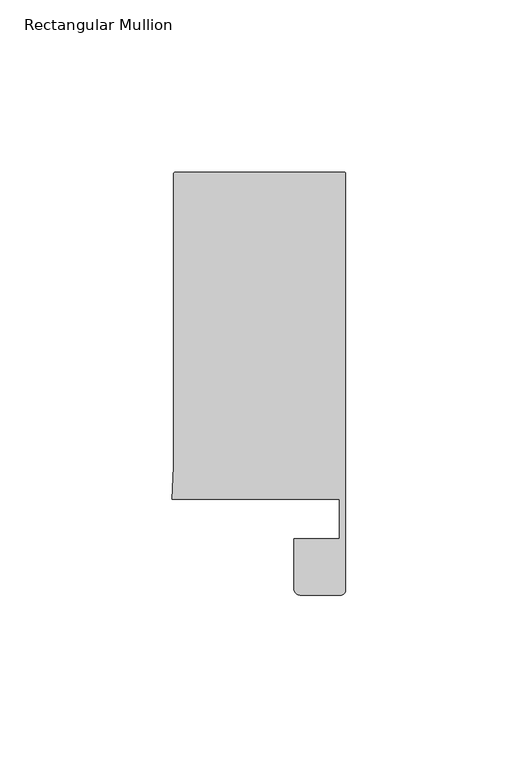
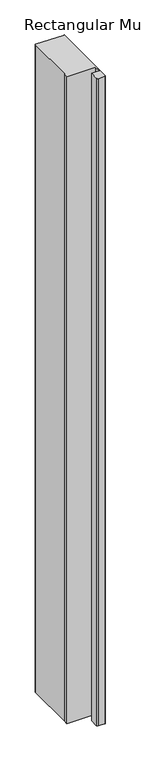
"""IFC4 building model written with IfcOpenShell, lengths in millimetres: member geometry, Rectangular Mullion."""

import ifcopenshell
import ifcopenshell.guid

model = None  # the IFC model being written
_history = None  # IfcOwnerHistory: only IFC2X3 demands one
_inside = {}  # id of a spatial element -> (the spatial element, [elements in it])
_under = {}  # id of a project, library or spatial element -> (it, [spatial elements below it])
_declared = {}  # id of a project -> (the project, [libraries it declares])
_typed = {}  # id of a type object -> (the type object, [elements of that type])
_made_of = {}  # id of a material, layer set ... -> (it, [elements and type objects made of it])


def new_model(schema):
    """Start an empty IFC model of exactly this schema.

    Asked for "IFC4X3", IfcOpenShell would pick the latest addendum, in which some entities
    have other attributes; the version numbers below select the first issue.
    IFC2X3 requires an IfcOwnerHistory on every rooted entity: one is made here for all.
    """
    global model, _history
    if schema == "IFC4X3":
        model = ifcopenshell.file(schema_version=(4, 3, 0, 0))
    else:
        model = ifcopenshell.file(schema=schema)
    _inside.clear()
    _under.clear()
    _declared.clear()
    _typed.clear()
    _made_of.clear()
    _history = None
    if model.schema == "IFC2X3":
        org = make("IfcOrganization", Name="unknown")
        user = make(
            "IfcPersonAndOrganization",
            ThePerson=make("IfcPerson", FamilyName="unknown"),
            TheOrganization=org,
        )
        app = make(
            "IfcApplication",
            ApplicationDeveloper=org,
            Version="unknown",
            ApplicationFullName="unknown",
            ApplicationIdentifier="unknown",
        )
        _history = make(
            "IfcOwnerHistory",
            OwningUser=user,
            OwningApplication=app,
            ChangeAction="ADDED",
            CreationDate=0,
        )
    return model


def make(cls, **values):
    """One entity of the class cls with the attributes given. An attribute that is None is left unset."""
    return model.create_entity(
        cls, **{name: value for name, value in values.items() if value is not None}
    )


def rooted(cls, **values):
    """An entity with a GlobalId (a new one), such as an element, a storey or a relation."""
    return make(cls, GlobalId=ifcopenshell.guid.new(), OwnerHistory=_history, **values)


def si_unit(unit_type, name, prefix=None):
    """IfcSIUnit, for example si_unit("LENGTHUNIT", "METRE", prefix="MILLI")."""
    return make("IfcSIUnit", UnitType=unit_type, Prefix=prefix, Name=name)


def assignment(units):
    """IfcUnitAssignment: the units of a project."""
    return None if units is None else make("IfcUnitAssignment", Units=units)


def point(xyz):
    """IfcCartesianPoint."""
    return None if xyz is None else make("IfcCartesianPoint", Coordinates=xyz)


def direction(xyz):
    """IfcDirection."""
    return None if xyz is None else make("IfcDirection", DirectionRatios=xyz)


def frame(location, z_axis=None, x_axis=None):
    """IfcAxis2Placement3D, a coordinate frame: its origin and axes. An axis left out is left unset."""
    return make(
        "IfcAxis2Placement3D",
        Location=point(location),
        Axis=direction(z_axis),
        RefDirection=direction(x_axis),
    )


def frame_2d(location, x_axis=None):
    """IfcAxis2Placement2D, a coordinate frame in the plane: its origin and x axis."""
    return make(
        "IfcAxis2Placement2D", Location=point(location), RefDirection=direction(x_axis)
    )


def origin():
    """The frame at (0, 0, 0) with its axes left unset."""
    return frame((0.0, 0.0, 0.0))


def place(relative_to, where):
    """IfcLocalPlacement: puts the frame where relative to a parent placement (None: the world)."""
    return make(
        "IfcLocalPlacement", PlacementRelTo=relative_to, RelativePlacement=where
    )


def context(
    kind, dimensions, precision=None, world=None, true_north=None, identifier=None
):
    """IfcGeometricRepresentationContext, for example the 3D "Model" context."""
    return make(
        "IfcGeometricRepresentationContext",
        ContextIdentifier=identifier,
        ContextType=kind,
        CoordinateSpaceDimension=dimensions,
        Precision=precision,
        WorldCoordinateSystem=world,
        TrueNorth=true_north,
    )


def project(units=None, contexts=None):
    """IfcProject with its units and contexts."""
    return rooted(
        "IfcProject",
        Name="project",
        RepresentationContexts=contexts,
        UnitsInContext=assignment(units),
    )


def spatial(cls, under=None, at=None, **own):
    """A site, building, storey or space (cls), placed at a placement, below another one or the project."""
    s = rooted(cls, ObjectPlacement=at, **own)
    if under is not None:
        _under.setdefault(under.id(), (under, []))[1].append(s)
    return s


def polyline(points):
    """IfcPolyline through the points."""
    return make("IfcPolyline", Points=[point(p) for p in points])


def circle_curve(where, radius):
    """IfcCircle in the frame where."""
    return make("IfcCircle", Position=where, Radius=radius)


def trimmed(basis, trim1, trim2, sense, master):
    """IfcTrimmedCurve: the piece of a basis curve between two trims."""
    return make(
        "IfcTrimmedCurve",
        BasisCurve=basis,
        Trim1=trim1,
        Trim2=trim2,
        SenseAgreement=sense,
        MasterRepresentation=master,
    )


def segment(curve, same_sense, transition):
    """IfcCompositeCurveSegment."""
    return make(
        "IfcCompositeCurveSegment",
        Transition=transition,
        SameSense=same_sense,
        ParentCurve=curve,
    )


def composite_curve(segments, self_intersect=None):
    """IfcCompositeCurve: segments joined end to end."""
    return make("IfcCompositeCurve", Segments=segments, SelfIntersect=self_intersect)


def outline(outer, holes=None, kind="AREA"):
    """IfcArbitraryClosedProfileDef: a profile drawn as a closed curve; with holes, ...WithVoids."""
    if holes is None:
        return make("IfcArbitraryClosedProfileDef", ProfileType=kind, OuterCurve=outer)
    return make(
        "IfcArbitraryProfileDefWithVoids",
        ProfileType=kind,
        OuterCurve=outer,
        InnerCurves=holes,
    )


def extrude(swept, where, along, depth):
    """IfcExtrudedAreaSolid: the profile swept, set in the frame where, extruded along a direction by depth."""
    return make(
        "IfcExtrudedAreaSolid",
        SweptArea=swept,
        Position=where,
        ExtrudedDirection=direction(along),
        Depth=depth,
    )


def shape(context_of_items, identifier, shape_type, items):
    """IfcShapeRepresentation: the items that make up one representation, for example the "Body"."""
    return make(
        "IfcShapeRepresentation",
        ContextOfItems=context_of_items,
        RepresentationIdentifier=identifier,
        RepresentationType=shape_type,
        Items=items,
    )


def source(mapping_origin, context_of_items, identifier, shape_type, items):
    """IfcRepresentationMap: a shape defined once, which mapped items show again and again."""
    return make(
        "IfcRepresentationMap",
        MappingOrigin=mapping_origin,
        MappedRepresentation=shape(context_of_items, identifier, shape_type, items),
    )


def transform(
    local_origin,
    x_axis=None,
    y_axis=None,
    z_axis=None,
    scale=None,
    scale2=None,
    scale3=None,
    uniform=True,
):
    """IfcCartesianTransformationOperator3D, or its non-uniform kind. x_axis, y_axis, z_axis: its Axis1, 2, 3."""
    if uniform:
        return make(
            "IfcCartesianTransformationOperator3D",
            Axis1=direction(x_axis),
            Axis2=direction(y_axis),
            LocalOrigin=point(local_origin),
            Scale=scale,
            Axis3=direction(z_axis),
        )
    return make(
        "IfcCartesianTransformationOperator3DnonUniform",
        Axis1=direction(x_axis),
        Axis2=direction(y_axis),
        LocalOrigin=point(local_origin),
        Scale=scale,
        Axis3=direction(z_axis),
        Scale2=scale2,
        Scale3=scale3,
    )


def mapped(mapping_source, mapping_target):
    """IfcMappedItem: shows the shape of a source again, moved by a transform."""
    return make(
        "IfcMappedItem", MappingSource=mapping_source, MappingTarget=mapping_target
    )


def made_of(thing, what):
    """Note that an element or type object is made of a material, layer set ...; save() writes the relation."""
    if what is not None:
        _made_of.setdefault(what.id(), (what, []))[1].append(thing)
    return thing


def element(
    cls,
    number,
    at=None,
    inside=None,
    cuts=None,
    type_object=None,
    material=None,
    context=None,
    identifier="Body",
    shape_type=None,
    held_by="IfcProductDefinitionShape",
    body=None,
    shapes=None,
    **own,
):
    """One element of the class cls, such as IfcWall. Its Tag is "e" and its number.

    at: its placement. inside: the storey or other place that contains it. cuts: it is an
    opening in that element (IfcRelVoidsElement). A single representation is given by context,
    identifier, shape_type and body (its items); several are given by shapes. held_by: the class
    of the entity that holds the representations. save() writes the other relations.
    """
    e = rooted(cls, Tag="e%d" % number, ObjectPlacement=at, **own)
    if body is not None:
        shapes = [shape(context, identifier, shape_type, body)]
    if shapes is not None:
        e.Representation = make(held_by, Representations=shapes)
    if inside is not None:
        _inside.setdefault(inside.id(), (inside, []))[1].append(e)
    if cuts is not None:
        rooted(
            "IfcRelVoidsElement", RelatingBuildingElement=cuts, RelatedOpeningElement=e
        )
    if type_object is not None:
        _typed.setdefault(type_object.id(), (type_object, []))[1].append(e)
    return made_of(e, material)


def aggregate(whole, parts):
    """IfcRelAggregates: a whole, such as a stair, and the parts it consists of."""
    return rooted("IfcRelAggregates", RelatingObject=whole, RelatedObjects=parts)


def save(model, path):
    """Write the relations noted so far, then the file.

    IfcRelAggregates (storeys below a building ...), IfcRelContainedInSpatialStructure (elements
    in a storey), IfcRelDefinesByType, IfcRelAssociatesMaterial and IfcRelDeclares: one each for
    every whole, place, type object, material and project.
    """
    for whole, parts in _under.values():
        aggregate(whole, parts)
    for where, things in _inside.values():
        rooted(
            "IfcRelContainedInSpatialStructure",
            RelatedElements=things,
            RelatingStructure=where,
        )
    for kind, things in _typed.values():
        rooted("IfcRelDefinesByType", RelatedObjects=things, RelatingType=kind)
    for what, things in _made_of.values():
        rooted("IfcRelAssociatesMaterial", RelatedObjects=things, RelatingMaterial=what)
    for by, libraries in _declared.values():
        rooted("IfcRelDeclares", RelatingContext=by, RelatedDefinitions=libraries)
    model.write(path)


def rectangular_mullion_91263389(model_context):
    return source(origin(), model_context, "Body", "SweptSolid", [
        extrude(outline(composite_curve([segment(trimmed(circle_curve(frame_2d((-0.5, 108.495417)), 0.5), [point((-0.5, 108.995417))], [point((0.0, 108.495417))], False, "CARTESIAN"), True, "CONTINUOUS"), segment(polyline([(0.0, 108.495417), (0.0, 14.0), (0.0, -12.3070793)]), True, "CONTINUOUS"), segment(trimmed(circle_curve(frame_2d((-1.5, -12.3070793)), 1.5), [point((0.0, -12.3070793))], [point((-1.5, -13.8070793))], False, "CARTESIAN"), True, "CONTINUOUS"), segment(polyline([(-1.5, -13.8070793), (-13.2119115, -13.8070793)]), True, "CONTINUOUS"), segment(trimmed(circle_curve(frame_2d((-13.2119115, -12.0189908)), 1.7880885), [point((-13.2119115, -13.8070793))], [point((-15.0, -12.0189908))], False, "CARTESIAN"), True, "CONTINUOUS"), segment(polyline([(-15.0, -12.0189908), (-15.0, 2.6022043), (-1.8, 2.6022043), (-1.8, 14.0), (-50.4480459, 14.0), (-50.0, 23.4856858), (-50.0, 108.495417)]), True, "CONTINUOUS"), segment(trimmed(circle_curve(frame_2d((-49.5, 108.495417)), 0.5), [point((-50.0, 108.495417))], [point((-49.5, 108.995417))], False, "CARTESIAN"), True, "CONTINUOUS"), segment(polyline([(-49.5, 108.995417), (-0.5, 108.995417)]), True, "CONTINUOUS")], self_intersect=False)), frame((0.0, 0.0, -1171.326129), z_axis=(0.0, 0.0, 1.0), x_axis=(1.0, 0.0, 0.0)), (0.0, 0.0, 1.0), 1171.326129),
    ])


if __name__ == "__main__":
    model = new_model("IFC4")
    model_context = context("Model", 3, world=origin())
    ifc_project = project(units=[si_unit("LENGTHUNIT", "METRE", prefix="MILLI")], contexts=[model_context])
    site = spatial("IfcSite", under=ifc_project)
    building = spatial("IfcBuilding", under=site)
    placement = place(None, origin())
    rectangular_mullion_shape = rectangular_mullion_91263389(model_context)
    element("IfcMember", 1, ObjectType="Rectangular Mullion", at=placement, inside=building, context=model_context, shape_type="MappedRepresentation", body=[
        mapped(rectangular_mullion_shape, transform((0.0, 0.0, 0.0), x_axis=(1.0, 0.0, 0.0), y_axis=(0.0, 1.0, 0.0), z_axis=(0.0, 0.0, 1.0))),
    ])
    save(model, "model.ifc")
